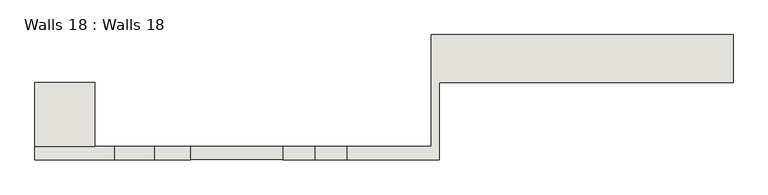
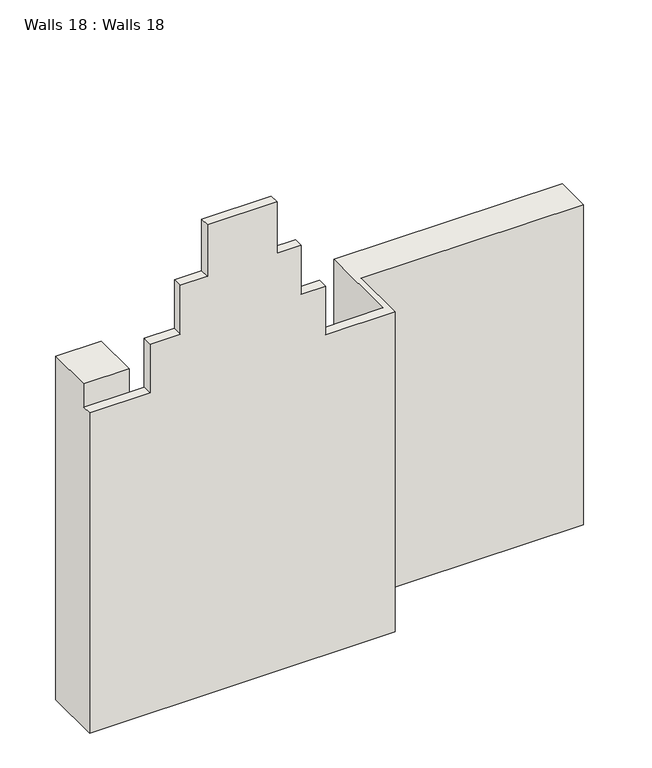
"""IFC4 building model written with IfcOpenShell, lengths in millimetres: wall geometry, Walls 18 : Walls 18."""

from ifc_helpers import new_model, si_unit, origin, place, context, project, spatial, faceted_brep, source, transform, mapped, element, save


def walls_18_walls_18_54facc18(model_context):
    return source(origin(), model_context, "Body", "Brep", [
        faceted_brep([(-12602.1969605, -9511.3932958, -10820.4), (-12475.1969605, -9511.3932958, -10820.4), (-12475.1969605, -9490.6811541, -10820.4), (-12506.9469605, -9490.6811541, -10820.4), (-12602.1969605, -9490.6811541, -10820.4), (-12602.1969605, -9511.3932958, -11531.0428213), (-12602.1969605, -9389.0811541, -11531.0428213), (-12506.9469605, -9389.0811541, -11531.0428213), (-12506.9469605, -9490.6811541, -11531.0428213), (-11973.5469605, -9490.6811541, -11531.0428213), (-11973.5469605, -9312.8811541, -11531.0428213), (-11494.1219605, -9312.8811541, -11531.0428213), (-11494.1219605, -9389.0811541, -11531.0428213), (-11960.8469605, -9389.0811541, -11531.0428213), (-11960.8469605, -9511.3932958, -11531.0428213), (-11960.8469605, -9511.3932958, -10820.4), (-12106.8969605, -9511.3932958, -10820.4), (-12106.8969605, -9511.3932958, -10712.45), (-12157.6969605, -9511.3932958, -10712.45), (-12157.6969605, -9511.3932958, -10604.5), (-12208.4969605, -9511.3932958, -10604.5), (-12208.4969605, -9511.3932958, -10490.2), (-12354.5469605, -9511.3932958, -10490.2), (-12354.5469605, -9511.3932958, -10604.5), (-12411.6969605, -9511.3932958, -10604.5), (-12411.6969605, -9511.3932958, -10712.45), (-12475.1969605, -9511.3932958, -10712.45), (-11960.8469605, -9389.0811541, -10820.4), (-11494.1219605, -9389.0811541, -10820.4), (-11494.1219605, -9312.8811541, -10820.4), (-11494.1219605, -9312.8811541, -11439.525), (-11973.5469605, -9312.8811541, -10820.4), (-11973.5469605, -9312.8811541, -11515.725), (-11973.5469605, -9312.8811541, -11277.6), (-11973.5469605, -9490.6811541, -10820.4), (-11973.5469605, -9490.6811541, -11277.6), (-12506.9469605, -9490.6811541, -11277.6), (-12475.1969605, -9490.6811541, -10712.45), (-12411.6969605, -9490.6811541, -10712.45), (-12411.6969605, -9490.6811541, -10604.5), (-12354.5469605, -9490.6811541, -10604.5), (-12354.5469605, -9490.6811541, -10490.2), (-12208.4969605, -9490.6811541, -10490.2), (-12208.4969605, -9490.6811541, -10604.5), (-12157.6969605, -9490.6811541, -10604.5), (-12157.6969605, -9490.6811541, -10712.45), (-12106.8969605, -9490.6811541, -10712.45), (-12106.8969605, -9490.6811541, -10820.4), (-12506.9469605, -9389.0811541, -11277.6), (-12506.9469605, -9389.0811541, -10768.9191499), (-12506.9469605, -9490.6811541, -10768.9191499), (-12602.1969605, -9389.0811541, -10768.9191499), (-12602.1969605, -9490.6811541, -10768.9191499)], [[[0, 1, 2, 3, 4]], [[5, 6, 7, 8, 9, 10, 11, 12, 13, 14]], [[5, 14, 15, 16, 17, 18, 19, 20, 21, 22, 23, 24, 25, 26, 1, 0]], [[27, 15, 14, 13]], [[28, 27, 13, 12]], [[29, 28, 12, 11, 30]], [[31, 29, 30, 11, 10, 32, 33]], [[34, 31, 33, 32, 10, 9, 35]], [[9, 8, 36, 3, 2, 37, 38, 39, 40, 41, 42, 43, 44, 45, 46, 47, 34, 35]], [[8, 7, 48, 49, 50, 3, 36]], [[7, 6, 51, 49, 48]], [[6, 5, 0, 4, 52, 51]], [[16, 47, 46, 17]], [[18, 17, 46, 45]], [[19, 18, 45, 44]], [[20, 19, 44, 43]], [[21, 20, 43, 42]], [[22, 21, 42, 41]], [[23, 22, 41, 40]], [[24, 23, 40, 39]], [[25, 24, 39, 38]], [[26, 25, 38, 37]], [[2, 1, 26, 37]], [[50, 49, 51, 52]], [[4, 3, 50, 52]], [[15, 27, 28, 29, 31, 34, 47, 16]]]),
    ])


if __name__ == "__main__":
    model = new_model("IFC4")
    model_context = context("Model", 3, world=origin())
    ifc_project = project(units=[si_unit("LENGTHUNIT", "METRE", prefix="MILLI")], contexts=[model_context])
    site = spatial("IfcSite", under=ifc_project)
    building = spatial("IfcBuilding", under=site)
    placement = place(None, origin())
    walls_18_walls_18_shape = walls_18_walls_18_54facc18(model_context)
    element("IfcWall", 1, ObjectType="Walls 18 : Walls 18", at=placement, inside=building, context=model_context, shape_type="MappedRepresentation", body=[
        mapped(walls_18_walls_18_shape, transform((0.0, 0.0, 0.0), x_axis=(1.0, 0.0, 0.0), y_axis=(0.0, 1.0, 0.0), z_axis=(0.0, 0.0, 1.0))),
    ])
    save(model, "model.ifc")
